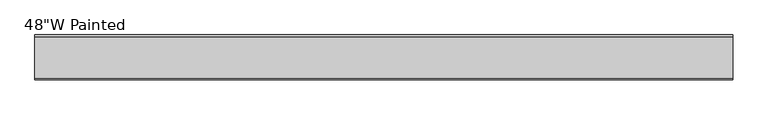
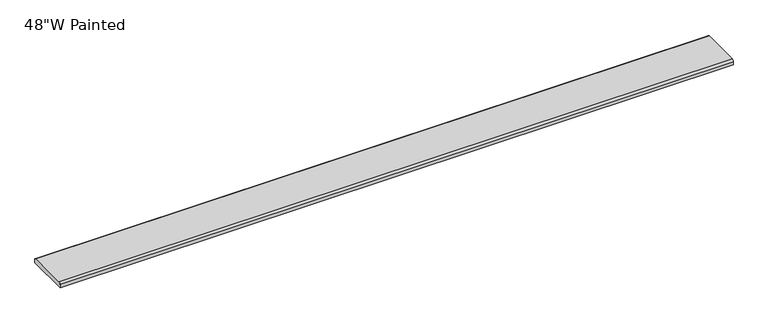
"""IFC4 building model written with IfcOpenShell, lengths in millimetres: furniture geometry."""

from ifc_helpers import new_model, si_unit, point, frame, frame_2d, origin, place, context, project, spatial, polyline, circle_curve, trimmed, segment, composite_curve, outline, extrude, source, transform, mapped, element, save


def furniture_23337309(model_context):
    return source(origin(), model_context, "Body", "SweptSolid", [
        extrude(outline(composite_curve([segment(polyline([(37.5704018, 1156.716), (37.5704018, 1150.366), (-40.8679732, 1150.366), (-40.8679732, 1156.716)]), True, "CONTINUOUS"), segment(trimmed(circle_curve(frame_2d((-37.6929732, 1156.716)), 3.175), [point((-40.8679732, 1156.716))], [point((-37.6929732, 1159.891))], False, "CARTESIAN"), True, "CONTINUOUS"), segment(polyline([(-37.6929732, 1159.891), (34.3954018, 1159.891)]), True, "CONTINUOUS"), segment(trimmed(circle_curve(frame_2d((34.3954018, 1156.716)), 3.175), [point((34.3954018, 1159.891))], [point((37.5704018, 1156.716))], False, "CARTESIAN"), True, "CONTINUOUS")], self_intersect=False)), frame((-607.374325, 0.0, 0.0), z_axis=(1.0, 0.0, 0.0), x_axis=(0.0, 1.0, 0.0)), (0.0, 0.0, 1.0), 1214.755),
    ])


if __name__ == "__main__":
    model = new_model("IFC4")
    model_context = context("Model", 3, world=origin())
    ifc_project = project(units=[si_unit("LENGTHUNIT", "METRE", prefix="MILLI")], contexts=[model_context])
    site = spatial("IfcSite", under=ifc_project)
    building = spatial("IfcBuilding", under=site)
    placement = place(None, origin())
    furniture_shape = furniture_23337309(model_context)
    element("IfcFurniture", 1, ObjectType="48\"W Painted", at=placement, inside=building, context=model_context, shape_type="MappedRepresentation", body=[
        mapped(furniture_shape, transform((0.0, 0.0, 0.0), x_axis=(1.0, 0.0, 0.0), y_axis=(0.0, 1.0, 0.0), z_axis=(0.0, 0.0, 1.0))),
    ])
    save(model, "model.ifc")
